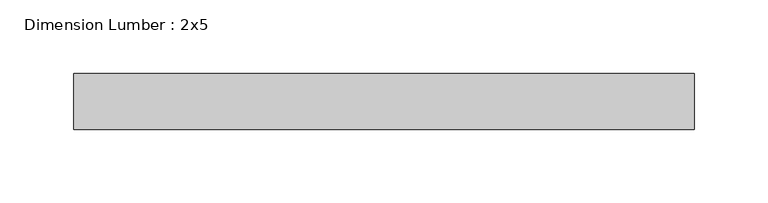
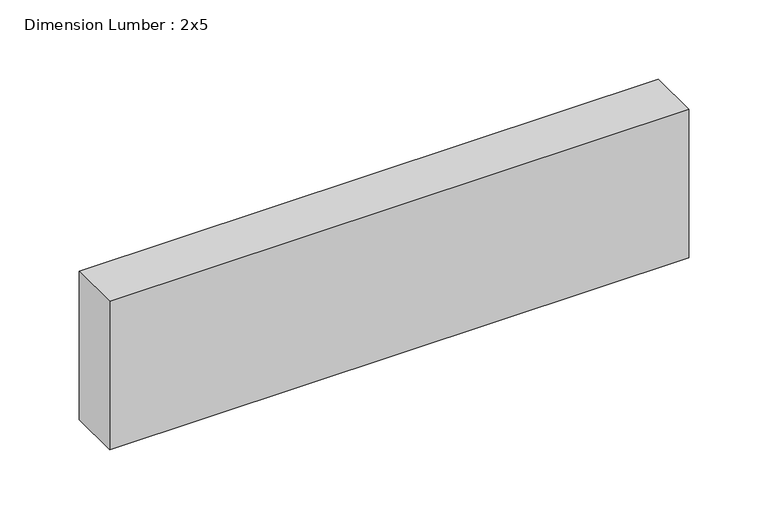
"""IFC4 building model written with IfcOpenShell, lengths in millimetres: beam geometry, Dimension Lumber : 2x5."""

from ifc_helpers import new_model, si_unit, frame, origin, place, context, project, spatial, polyline, outline, extrude, source, transform, mapped, element, save


def dimension_lumber_2x5_ebe6fa74(model_context):
    return source(origin(), model_context, "Body", "SweptSolid", [
        extrude(outline(polyline([(208.7961528, 19.05), (208.7961528, -19.05), (-212.9207632, -19.05), (-212.9207632, 19.05), (208.7961528, 19.05)])), frame((0.0, 0.0, -57.15), z_axis=(0.0, 0.0, 1.0), x_axis=(1.0, 0.0, 0.0)), (0.0, 0.0, 1.0), 114.3),
    ])


if __name__ == "__main__":
    model = new_model("IFC4")
    model_context = context("Model", 3, world=origin())
    ifc_project = project(units=[si_unit("LENGTHUNIT", "METRE", prefix="MILLI")], contexts=[model_context])
    site = spatial("IfcSite", under=ifc_project)
    building = spatial("IfcBuilding", under=site)
    placement = place(None, origin())
    dimension_lumber_2x5_shape = dimension_lumber_2x5_ebe6fa74(model_context)
    element("IfcBeam", 1, ObjectType="Dimension Lumber : 2x5", at=placement, inside=building, context=model_context, shape_type="MappedRepresentation", body=[
        mapped(dimension_lumber_2x5_shape, transform((0.0, 0.0, 0.0), x_axis=(1.0, 0.0, 0.0), y_axis=(0.0, 1.0, 0.0), z_axis=(0.0, 0.0, 1.0))),
    ])
    save(model, "model.ifc")
